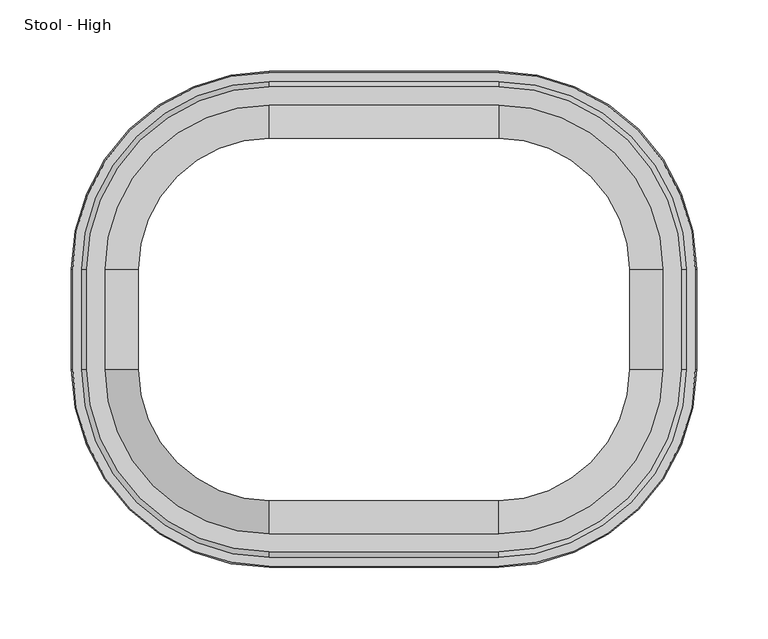
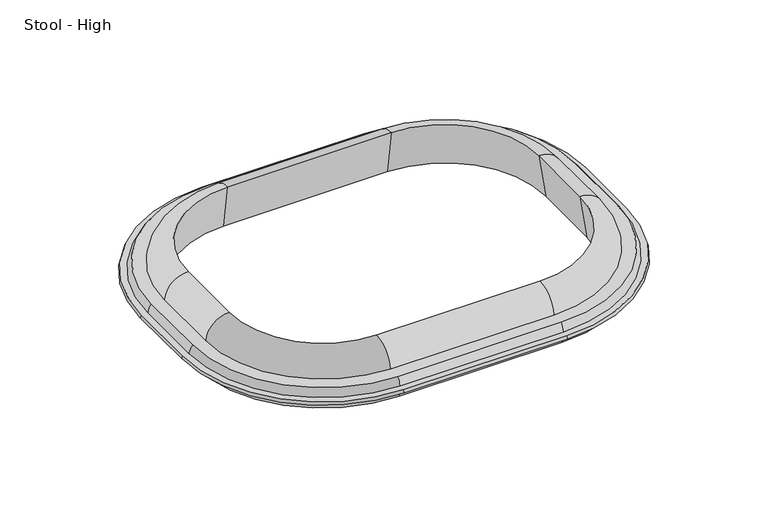
"""IFC4 building model written with IfcOpenShell, lengths in millimetres: furniture geometry, Stool - High."""

from ifc_helpers import new_model, si_unit, point, frame, origin, place, context, project, spatial, polyline, circle_curve, ellipse_curve, trimmed, source, transform, mapped, element, save
from ifc_brep_helpers import plane_surface, cylinder_surface, revolved_surface, advanced_brep


def stool_high_12960239(model_context):
    return source(origin(), model_context, "Body", "AdvancedBrep", [
        advanced_brep(
        [(80.1154768, 126.7284262, 755.65), (-80.1154768, 126.7284262, 755.65), (-80.1154768, 133.3230614, 711.2250418), (80.1154768, 133.3230614, 711.2250418), (80.1154768, 149.9409798, 734.7493229), (-80.1154768, 149.9409798, 734.7493229), (-80.1154768, 127.3919978, 755.6597382), (-207.8314566, 34.925, 734.7493229), (-207.8314566, -34.925, 734.7493229), (-80.1154768, -162.6409798, 734.7493229), (80.1154768, -162.6409798, 734.7493229), (207.8314566, -34.925, 734.7493229), (207.8314566, 34.925, 734.7493229), (80.1154768, 162.6409798, 734.7493229), (-80.1154768, 162.6409798, 734.7493229), (195.1314566, 34.925, 734.7493229), (195.1314566, -34.925, 734.7493229), (80.1154768, -149.9409798, 734.7493229), (-80.1154768, -149.9409798, 734.7493229), (-195.1314566, -34.925, 734.7493229), (-195.1314566, 34.925, 734.7493229), (80.1154768, 166.2791169, 726.9473126), (-80.1154768, 166.2791169, 726.9473126), (-217.8195937, 34.925, 726.9473126), (-217.8195937, -34.925, 726.9473126), (-80.1154768, -172.6291169, 726.9473126), (80.1154768, -172.6291169, 726.9473126), (217.8195937, -34.925, 726.9473126), (217.8195937, 34.925, 726.9473126), (80.1154768, 172.6291169, 726.9473126), (-80.1154768, 172.6291169, 726.9473126), (211.4695937, 34.925, 726.9473126), (211.4695937, -34.925, 726.9473126), (80.1154768, -166.2791169, 726.9473126), (-80.1154768, -166.2791169, 726.9473126), (-211.4695937, -34.925, 726.9473126), (-211.4695937, 34.925, 726.9473126), (80.1154768, 173.4175169, 724.0049637), (-80.1154768, 173.4175169, 724.0049637), (218.6079938, 34.925, 724.0049637), (218.6079938, -34.925, 724.0049637), (80.1154768, -173.4175169, 724.0049637), (-80.1154768, -173.4175169, 724.0049637), (-218.6079938, -34.925, 724.0049637), (-218.6079938, 34.925, 724.0049637), (-212.2579938, 34.925, 724.0049637), (-212.2579938, -34.925, 724.0049637), (-80.1154768, -167.0675169, 724.0049637), (80.1154768, -167.0675169, 724.0049637), (212.2579938, -34.925, 724.0049637), (212.2579938, 34.925, 724.0049637), (80.1154768, 167.0675169, 724.0049637), (-80.1154768, 167.0675169, 724.0049637), (80.1154768, 163.4840689, 714.1595211), (-80.1154768, 163.4840689, 714.1595211), (171.9189031, 34.925, 755.65), (178.5135382, 34.925, 711.2250418), (208.6745457, 34.925, 714.1595211), (171.9189031, -34.925, 755.65), (178.5135382, -34.925, 711.2250418), (208.6745457, -34.925, 714.1595211), (80.1154768, -126.7284262, 755.65), (80.1154768, -133.3230614, 711.2250418), (80.1154768, -163.4840689, 714.1595211), (-80.1154768, -133.3230614, 711.2250418), (-80.1154768, -126.7284262, 755.65), (-80.1154768, -163.4840689, 714.1595211), (-171.9189031, 34.925, 755.65), (-178.5135382, 34.925, 711.2250418), (-208.6745457, 34.925, 714.1595211), (-178.5135382, -34.925, 711.2250418), (-171.9189031, -34.925, 755.65), (-208.6745457, -34.925, 714.1595211)],
        [
            (0, 1),
            (1, 2),
            (2, 3),
            (3, 0),
            (0, 4, circle_curve(frame((80.1154768, 127.3919978, 733.0465561), z_axis=(-1.0, 0.0, 0.0), x_axis=(0.0, 1.0000000000000002, 0.0)), 22.6131821)),
            (4, 5),
            (5, 6, circle_curve(frame((-80.1154768, 127.3919978, 733.0465561), z_axis=(1.0, 0.0, 0.0), x_axis=(0.0, 1.0000000000000002, 0.0)), 22.6131821)),
            (6, 1, circle_curve(frame((-80.1154768, 127.3919978, 733.0465561), z_axis=(1.0, 0.0, 0.0), x_axis=(0.0, 1.0000000000000002, 0.0)), 22.6131821)),
            (7, 8),
            (8, 9, circle_curve(frame((-80.1154768, -34.925, 734.7493229), z_axis=(0.0, 0.0, 1.0), x_axis=(-1.0000000000000002, 0.0, 0.0)), 127.7159798)),
            (9, 10),
            (10, 11, circle_curve(frame((80.1154768, -34.925, 734.7493229), z_axis=(0.0, 0.0, 1.0), x_axis=(1.0000000000000002, 0.0, 0.0)), 127.7159798)),
            (11, 12),
            (12, 13, circle_curve(frame((80.1154768, 34.925, 734.7493229), z_axis=(0.0, 0.0, 1.0), x_axis=(1.0000000000000002, 0.0, 0.0)), 127.7159798)),
            (13, 14),
            (14, 7, circle_curve(frame((-80.1154768, 34.925, 734.7493229), z_axis=(0.0, 0.0, 1.0), x_axis=(-1.0000000000000002, 0.0, 0.0)), 127.7159798)),
            (4, 15, circle_curve(frame((80.1154768, 34.925, 734.7493229), z_axis=(0.0, 0.0, -1.0), x_axis=(1.0000000000000002, 0.0, 0.0)), 115.0159798)),
            (15, 16),
            (16, 17, circle_curve(frame((80.1154768, -34.925, 734.7493229), z_axis=(0.0, 0.0, -1.0), x_axis=(1.0000000000000002, 0.0, 0.0)), 115.0159798)),
            (17, 18),
            (18, 19, circle_curve(frame((-80.1154768, -34.925, 734.7493229), z_axis=(0.0, 0.0, -1.0), x_axis=(-1.0000000000000002, 0.0, 0.0)), 115.0159798)),
            (19, 20),
            (20, 5, circle_curve(frame((-80.1154768, 34.925, 734.7493229), z_axis=(0.0, 0.0, -1.0), x_axis=(-1.0000000000000002, 0.0, 0.0)), 115.0159798)),
            (13, 21, circle_curve(frame((80.1154768, 153.8392427, 725.8957548), z_axis=(-1.0, 0.0, 0.0), x_axis=(0.0, 1.0000000000000002, 0.0)), 12.4842398)),
            (21, 22),
            (22, 14, circle_curve(frame((-80.1154768, 153.8392427, 725.8957548), z_axis=(1.0, 0.0, 0.0), x_axis=(0.0, 1.0000000000000002, 0.0)), 12.4842398)),
            (23, 24),
            (24, 25, circle_curve(frame((-80.1154768, -34.925, 726.9473126), z_axis=(0.0, 0.0, 1.0), x_axis=(-1.0000000000000002, 0.0, 0.0)), 137.7041169)),
            (25, 26),
            (26, 27, circle_curve(frame((80.1154768, -34.925, 726.9473126), z_axis=(0.0, 0.0, 1.0), x_axis=(1.0000000000000002, 0.0, 0.0)), 137.7041169)),
            (27, 28),
            (28, 29, circle_curve(frame((80.1154768, 34.925, 726.9473126), z_axis=(0.0, 0.0, 1.0), x_axis=(1.0000000000000002, 0.0, 0.0)), 137.7041169)),
            (29, 30),
            (30, 23, circle_curve(frame((-80.1154768, 34.925, 726.9473126), z_axis=(0.0, 0.0, 1.0), x_axis=(-1.0000000000000002, 0.0, 0.0)), 137.7041169)),
            (21, 31, circle_curve(frame((80.1154768, 34.925, 726.9473126), z_axis=(0.0, 0.0, -1.0), x_axis=(1.0000000000000002, 0.0, 0.0)), 131.3541169)),
            (31, 32),
            (32, 33, circle_curve(frame((80.1154768, -34.925, 726.9473126), z_axis=(0.0, 0.0, -1.0), x_axis=(1.0000000000000002, 0.0, 0.0)), 131.3541169)),
            (33, 34),
            (34, 35, circle_curve(frame((-80.1154768, -34.925, 726.9473126), z_axis=(0.0, 0.0, -1.0), x_axis=(-1.0000000000000002, 0.0, 0.0)), 131.3541169)),
            (35, 36),
            (36, 22, circle_curve(frame((-80.1154768, 34.925, 726.9473126), z_axis=(0.0, 0.0, -1.0), x_axis=(-1.0000000000000002, 0.0, 0.0)), 131.3541169)),
            (29, 37),
            (37, 38),
            (38, 30),
            (37, 39, circle_curve(frame((80.1154768, 34.925, 724.0049637), z_axis=(0.0, 0.0, -1.0), x_axis=(1.0000000000000002, 0.0, 0.0)), 138.4925169)),
            (39, 40),
            (40, 41, circle_curve(frame((80.1154768, -34.925, 724.0049637), z_axis=(0.0, 0.0, -1.0), x_axis=(1.0000000000000002, 0.0, 0.0)), 138.4925169)),
            (41, 42),
            (42, 43, circle_curve(frame((-80.1154768, -34.925, 724.0049637), z_axis=(0.0, 0.0, -1.0), x_axis=(-1.0000000000000002, 0.0, 0.0)), 138.4925169)),
            (43, 44),
            (44, 38, circle_curve(frame((-80.1154768, 34.925, 724.0049637), z_axis=(0.0, 0.0, -1.0), x_axis=(-1.0000000000000002, 0.0, 0.0)), 138.4925169)),
            (45, 46),
            (46, 47, circle_curve(frame((-80.1154768, -34.925, 724.0049637), z_axis=(0.0, 0.0, 1.0), x_axis=(-1.0000000000000002, 0.0, 0.0)), 132.1425169)),
            (47, 48),
            (48, 49, circle_curve(frame((80.1154768, -34.925, 724.0049637), z_axis=(0.0, 0.0, 1.0), x_axis=(1.0000000000000002, 0.0, 0.0)), 132.1425169)),
            (49, 50),
            (50, 51, circle_curve(frame((80.1154768, 34.925, 724.0049637), z_axis=(0.0, 0.0, 1.0), x_axis=(1.0000000000000002, 0.0, 0.0)), 132.1425169)),
            (51, 52),
            (52, 45, circle_curve(frame((-80.1154768, 34.925, 724.0049637), z_axis=(0.0, 0.0, 1.0), x_axis=(-1.0000000000000002, 0.0, 0.0)), 132.1425169)),
            (51, 53, circle_curve(frame((80.1154768, 148.476041, 725.196852), z_axis=(-1.0, 0.0, 0.0), x_axis=(0.0, 1.0000000000000002, 0.0)), 18.6296423)),
            (53, 54),
            (54, 52, circle_curve(frame((-80.1154768, 148.476041, 725.196852), z_axis=(1.0, 0.0, 0.0), x_axis=(0.0, 1.0000000000000002, 0.0)), 18.6296423)),
            (2, 54),
            (53, 3),
            (0, 55, circle_curve(frame((80.1154768, 34.925, 755.65), z_axis=(0.0, 0.0, -1.0), x_axis=(1.0000000000000002, 0.0, 0.0)), 91.8034262)),
            (55, 15, circle_curve(frame((172.5824746, 34.925, 733.0465561), z_axis=(0.0, 1.0000000000000002, 0.0), x_axis=(0.0, 0.0, 1.0)), 22.6131821)),
            (3, 56, circle_curve(frame((80.1154768, 34.925, 711.2250418), z_axis=(0.0, 0.0, -1.0), x_axis=(1.0000000000000002, 0.0, 0.0)), 98.3980614)),
            (56, 55),
            (53, 57, circle_curve(frame((80.1154768, 34.925, 714.1595211), z_axis=(0.0, 0.0, -1.0), x_axis=(1.0000000000000002, 0.0, 0.0)), 128.5590689)),
            (57, 56),
            (50, 57, circle_curve(frame((193.6665179, 34.925, 725.196852), z_axis=(0.0, 1.0000000000000002, 0.0), x_axis=(0.0, 0.0, 1.0)), 18.6296423)),
            (28, 39),
            (12, 31, circle_curve(frame((199.0297195, 34.925, 725.8957548), z_axis=(0.0, 1.0000000000000002, 0.0), x_axis=(0.0, 0.0, 1.0)), 12.4842398)),
            (58, 55),
            (56, 59),
            (59, 58),
            (57, 60),
            (60, 59),
            (49, 60, circle_curve(frame((193.6665179, -34.925, 725.196852), z_axis=(0.0, 1.0, 0.0), x_axis=(0.0, 0.0, 1.0)), 18.6296423)),
            (27, 40),
            (11, 32, circle_curve(frame((199.0297195, -34.925, 725.8957548), z_axis=(0.0, 1.0, 0.0), x_axis=(0.0, 0.0, 1.0)), 12.4842398)),
            (58, 16, circle_curve(frame((172.5824746, -34.925, 733.0465561), z_axis=(0.0, 1.0, 0.0), x_axis=(0.0, 0.0, 1.0)), 22.6131821)),
            (58, 61, circle_curve(frame((80.1154768, -34.925, 755.65), z_axis=(0.0, 0.0, -1.0), x_axis=(1.0000000000000002, 0.0, 0.0)), 91.8034262)),
            (61, 17, circle_curve(frame((80.1154768, -127.3919978, 733.0465561), z_axis=(1.0000000000000002, 0.0, 0.0), x_axis=(0.0, 0.0, 1.0)), 22.6131821)),
            (59, 62, circle_curve(frame((80.1154768, -34.925, 711.2250418), z_axis=(0.0, 0.0, -1.0), x_axis=(1.0000000000000002, 0.0, 0.0)), 98.3980614)),
            (62, 61),
            (60, 63, circle_curve(frame((80.1154768, -34.925, 714.1595211), z_axis=(0.0, 0.0, -1.0), x_axis=(1.0000000000000002, 0.0, 0.0)), 128.5590689)),
            (63, 62),
            (48, 63, circle_curve(frame((80.1154768, -148.476041, 725.196852), z_axis=(1.0000000000000002, 0.0, 0.0), x_axis=(0.0, 0.0, 1.0)), 18.6296423)),
            (26, 41),
            (10, 33, circle_curve(frame((80.1154768, -153.8392427, 725.8957548), z_axis=(1.0000000000000002, 0.0, 0.0), x_axis=(0.0, 0.0, 1.0)), 12.4842398)),
            (62, 64),
            (64, 65),
            (65, 61),
            (65, 18, circle_curve(frame((-80.1154768, -127.3919978, 733.0465561), z_axis=(1.0, 0.0, 0.0), x_axis=(0.0, -1.0000000000000002, 0.0)), 22.6131821)),
            (9, 34, circle_curve(frame((-80.1154768, -153.8392427, 725.8957548), z_axis=(1.0, 0.0, 0.0), x_axis=(0.0, -1.0000000000000002, 0.0)), 12.4842398)),
            (25, 42),
            (47, 66, circle_curve(frame((-80.1154768, -148.476041, 725.196852), z_axis=(1.0, 0.0, 0.0), x_axis=(0.0, -1.0000000000000002, 0.0)), 18.6296423)),
            (66, 63),
            (66, 64),
            (20, 67, circle_curve(frame((-172.5824746, 34.925, 733.0465561), z_axis=(0.0, 1.0000000000000002, 0.0), x_axis=(0.0, 0.0, 1.0)), 22.6131821)),
            (67, 1, circle_curve(frame((-80.1154768, 34.925, 755.65), z_axis=(0.0, 0.0, -1.0), x_axis=(-1.0000000000000002, 0.0, 0.0)), 91.8034262)),
            (67, 68),
            (68, 2, circle_curve(frame((-80.1154768, 34.925, 711.2250418), z_axis=(0.0, 0.0, -1.0), x_axis=(-1.0000000000000002, 0.0, 0.0)), 98.3980614)),
            (68, 69),
            (69, 54, circle_curve(frame((-80.1154768, 34.925, 714.1595211), z_axis=(0.0, 0.0, -1.0), x_axis=(-1.0000000000000002, 0.0, 0.0)), 128.5590689)),
            (69, 45, circle_curve(frame((-193.6665179, 34.925, 725.196852), z_axis=(0.0, 1.0000000000000002, 0.0), x_axis=(0.0, 0.0, 1.0)), 18.6296423)),
            (44, 23),
            (36, 7, circle_curve(frame((-199.0297195, 34.925, 725.8957548), z_axis=(0.0, 1.0000000000000002, 0.0), x_axis=(0.0, 0.0, 1.0)), 12.4842398)),
            (70, 68),
            (67, 71),
            (71, 70),
            (70, 72),
            (72, 69),
            (72, 46, circle_curve(frame((-193.6665179, -34.925, 725.196852), z_axis=(0.0, 1.0, 0.0), x_axis=(0.0, 0.0, 1.0)), 18.6296423)),
            (43, 24),
            (35, 8, circle_curve(frame((-199.0297195, -34.925, 725.8957548), z_axis=(0.0, 1.0, 0.0), x_axis=(0.0, 0.0, 1.0)), 12.4842398)),
            (19, 71, circle_curve(frame((-172.5824746, -34.925, 733.0465561), z_axis=(0.0, 1.0, 0.0), x_axis=(0.0, 0.0, 1.0)), 22.6131821)),
            (65, 71, circle_curve(frame((-80.1154768, -34.925, 755.65), z_axis=(0.0, 0.0, -1.0), x_axis=(-1.0000000000000002, 0.0, 0.0)), 91.8034262)),
            (64, 70, circle_curve(frame((-80.1154768, -34.925, 711.2250418), z_axis=(0.0, 0.0, -1.0), x_axis=(-1.0000000000000002, 0.0, 0.0)), 98.3980614)),
            (66, 72, circle_curve(frame((-80.1154768, -34.925, 714.1595211), z_axis=(0.0, 0.0, -1.0), x_axis=(-1.0000000000000002, 0.0, 0.0)), 128.5590689)),
        ],
        [
            plane_surface(frame((80.1154768, 126.7284262, 755.65), z_axis=(0.0, -0.9891609433288518, -0.1468353778650639), x_axis=(-1.0, 0.0, 0.0))),
            cylinder_surface(frame((-80.1154768, 127.3919978, 733.0465561), z_axis=(1.0000000000000002, 0.0, 0.0), x_axis=(0.0, 1.0000000000000002, 0.0)), 22.6131821),
            plane_surface(frame((80.1154768, 162.6409798, 734.7493229), z_axis=(0.0, 0.0, 1.0), x_axis=(-1.0, 0.0, 0.0))),
            cylinder_surface(frame((-80.1154768, 153.8392427, 725.8957548), z_axis=(1.0000000000000002, 0.0, 0.0), x_axis=(0.0, 1.0000000000000002, 0.0)), 12.4842398),
            plane_surface(frame((80.1154768, 172.6291169, 726.9473126), z_axis=(0.0, 0.0, 1.0), x_axis=(-1.0, 0.0, 0.0))),
            plane_surface(frame((80.1154768, 173.4175169, 724.0049637), z_axis=(0.0, 0.9659258262890752, 0.2588190451024952), x_axis=(-1.0, 0.0, 0.0))),
            plane_surface(frame((80.1154768, 167.0675169, 724.0049637), z_axis=(0.0, 0.0, -1.0), x_axis=(-1.0, 0.0, 0.0))),
            cylinder_surface(frame((-80.1154768, 148.476041, 725.196852), z_axis=(1.0000000000000002, 0.0, 0.0), x_axis=(0.0, 1.0000000000000002, 0.0)), 18.6296423),
            plane_surface(frame((80.1154768, 133.3230614, 711.2250418), z_axis=(0.0, 0.09683655773188508, -0.9953002969388883), x_axis=(-1.0, 0.0, 0.0))),
            revolved_surface(trimmed(ellipse_curve(frame((172.5824746, 34.925, 733.0465561), z_axis=(0.0, -1.0000000000000002, 0.0), x_axis=(0.0, 0.0, 1.0)), 22.6131821, 22.6131821), [point((195.1314566, 34.925, 734.7493229))], [point((171.9189031, 34.925, 755.65))], True, "CARTESIAN"), (80.1154768, 34.925, 847.2074778), (0.0, 0.0, 1.0)),
            revolved_surface(polyline([(171.9189031, 34.925, 755.65), (178.5135382, 34.925, 711.2250418)]), (80.1154768, 34.925, 847.2074778), (0.0, 0.0, 1.0)),
            revolved_surface(polyline([(178.5135382, 34.925, 711.2250418), (208.6745457, 34.925, 714.1595211)]), (80.1154768, 34.925, 847.2074778), (0.0, 0.0, 1.0)),
            revolved_surface(trimmed(ellipse_curve(frame((193.6665179, 34.925, 725.196852), z_axis=(0.0, -1.0000000000000002, 0.0), x_axis=(0.0, 0.0, 1.0)), 18.6296423, 18.6296423), [point((208.6745457, 34.925, 714.1595211))], [point((212.2579938, 34.925, 724.0049637))], True, "CARTESIAN"), (80.1154768, 34.925, 847.2074778), (0.0, 0.0, 1.0)),
            revolved_surface(polyline([(218.6079938, 34.925, 724.0049637), (217.8195937, 34.925, 726.9473126)]), (80.1154768, 34.925, 847.2074778), (0.0, 0.0, 1.0)),
            revolved_surface(trimmed(ellipse_curve(frame((199.0297195, 34.925, 725.8957548), z_axis=(0.0, -1.0000000000000002, 0.0), x_axis=(0.0, 0.0, 1.0)), 12.4842398, 12.4842398), [point((211.4695937, 34.925, 726.9473126))], [point((207.8314566, 34.925, 734.7493229))], True, "CARTESIAN"), (80.1154768, 34.925, 847.2074778), (0.0, 0.0, 1.0)),
            plane_surface(frame((171.9189031, -34.925, 755.65), z_axis=(-0.9891609433288493, 0.0, -0.14683537786508108), x_axis=(0.0, 1.0, 0.0))),
            plane_surface(frame((178.5135382, -34.925, 711.2250418), z_axis=(0.09683655773190229, 0.0, -0.9953002969388867), x_axis=(0.0, 1.0, 0.0))),
            cylinder_surface(frame((193.6665179, 34.925, 725.196852), z_axis=(0.0, -1.0000000000000002, 0.0), x_axis=(0.0, 0.0, 1.0)), 18.6296423),
            plane_surface(frame((218.6079938, -34.925, 724.0049637), z_axis=(0.9659258262890694, 0.0, 0.2588190451025166), x_axis=(0.0, 1.0, 0.0))),
            cylinder_surface(frame((199.0297195, 34.925, 725.8957548), z_axis=(0.0, -1.0000000000000002, 0.0), x_axis=(0.0, 0.0, 1.0)), 12.4842398),
            cylinder_surface(frame((172.5824746, 34.925, 733.0465561), z_axis=(0.0, -1.0000000000000002, 0.0), x_axis=(0.0, 0.0, 1.0)), 22.6131821),
            revolved_surface(trimmed(ellipse_curve(frame((172.5824746, -34.925, 733.0465561), z_axis=(0.0, 1.0000000000000002, 0.0), x_axis=(0.0, 0.0, 1.0)), 22.6131821, 22.6131821), [point((171.9189031, -34.925, 755.65))], [point((195.1314566, -34.925, 734.7493229))], True, "CARTESIAN"), (80.1154768, -34.925, 847.2074778), (0.0, 0.0, -1.0)),
            revolved_surface(polyline([(178.5135382, -34.925, 711.2250418), (171.9189031, -34.925, 755.65)]), (80.1154768, -34.925, 847.2074778), (0.0, 0.0, -1.0)),
            revolved_surface(polyline([(208.6745457, -34.925, 714.1595211), (178.5135382, -34.925, 711.2250418)]), (80.1154768, -34.925, 847.2074778), (0.0, 0.0, -1.0)),
            revolved_surface(trimmed(ellipse_curve(frame((193.6665179, -34.925, 725.196852), z_axis=(0.0, 1.0000000000000002, 0.0), x_axis=(0.0, 0.0, 1.0)), 18.6296423, 18.6296423), [point((212.2579938, -34.925, 724.0049637))], [point((208.6745457, -34.925, 714.1595211))], True, "CARTESIAN"), (80.1154768, -34.925, 847.2074778), (0.0, 0.0, -1.0)),
            revolved_surface(polyline([(217.8195937, -34.925, 726.9473126), (218.6079938, -34.925, 724.0049637)]), (80.1154768, -34.925, 847.2074778), (0.0, 0.0, -1.0)),
            revolved_surface(trimmed(ellipse_curve(frame((199.0297195, -34.925, 725.8957548), z_axis=(0.0, 1.0000000000000002, 0.0), x_axis=(0.0, 0.0, 1.0)), 12.4842398, 12.4842398), [point((207.8314566, -34.925, 734.7493229))], [point((211.4695937, -34.925, 726.9473126))], True, "CARTESIAN"), (80.1154768, -34.925, 847.2074778), (0.0, 0.0, -1.0)),
            plane_surface(frame((80.1154768, -133.3230614, 711.2250418), z_axis=(0.0, 0.9891609433288518, -0.14683537786506393), x_axis=(-1.0, 0.0, 0.0))),
            cylinder_surface(frame((-80.1154768, -127.3919978, 733.0465561), z_axis=(1.0000000000000002, 0.0, 0.0), x_axis=(0.0, -1.0000000000000002, 0.0)), 22.6131821),
            cylinder_surface(frame((-80.1154768, -153.8392427, 725.8957548), z_axis=(1.0000000000000002, 0.0, 0.0), x_axis=(0.0, -1.0000000000000002, 0.0)), 12.4842398),
            plane_surface(frame((80.1154768, -172.6291169, 726.9473126), z_axis=(0.0, -0.9659258262890752, 0.2588190451024952), x_axis=(-1.0, 0.0, 0.0))),
            cylinder_surface(frame((-80.1154768, -148.476041, 725.196852), z_axis=(1.0000000000000002, 0.0, 0.0), x_axis=(0.0, -1.0000000000000002, 0.0)), 18.6296423),
            plane_surface(frame((80.1154768, -163.4840689, 714.1595211), z_axis=(0.0, -0.0968365577318848, -0.9953002969388883), x_axis=(-1.0, 0.0, 0.0))),
            revolved_surface(trimmed(ellipse_curve(frame((-172.5824746, 34.925, 733.0465561), z_axis=(0.0, -1.0000000000000002, 0.0), x_axis=(0.0, 0.0, 1.0)), 22.6131821, 22.6131821), [point((-171.9189031, 34.925, 755.65))], [point((-195.1314566, 34.925, 734.7493229))], True, "CARTESIAN"), (-80.1154768, 34.925, 847.2074778), (0.0, 0.0, -1.0)),
            revolved_surface(polyline([(-178.5135382, 34.925, 711.2250418), (-171.9189031, 34.925, 755.65)]), (-80.1154768, 34.925, 847.2074778), (0.0, 0.0, -1.0)),
            revolved_surface(polyline([(-208.6745457, 34.925, 714.1595211), (-178.5135382, 34.925, 711.2250418)]), (-80.1154768, 34.925, 847.2074778), (0.0, 0.0, -1.0)),
            revolved_surface(trimmed(ellipse_curve(frame((-193.6665179, 34.925, 725.196852), z_axis=(0.0, -1.0000000000000002, 0.0), x_axis=(0.0, 0.0, 1.0)), 18.6296423, 18.6296423), [point((-212.2579938, 34.925, 724.0049637))], [point((-208.6745457, 34.925, 714.1595211))], True, "CARTESIAN"), (-80.1154768, 34.925, 847.2074778), (0.0, 0.0, -1.0)),
            revolved_surface(polyline([(-217.8195937, 34.925, 726.9473126), (-218.6079938, 34.925, 724.0049637)]), (-80.1154768, 34.925, 847.2074778), (0.0, 0.0, -1.0)),
            revolved_surface(trimmed(ellipse_curve(frame((-199.0297195, 34.925, 725.8957548), z_axis=(0.0, -1.0000000000000002, 0.0), x_axis=(0.0, 0.0, 1.0)), 12.4842398, 12.4842398), [point((-207.8314566, 34.925, 734.7493229))], [point((-211.4695937, 34.925, 726.9473126))], True, "CARTESIAN"), (-80.1154768, 34.925, 847.2074778), (0.0, 0.0, -1.0)),
            plane_surface(frame((-178.5135382, -34.925, 711.2250418), z_axis=(0.9891609433288493, 0.0, -0.14683537786508108), x_axis=(0.0, 1.0, 0.0))),
            plane_surface(frame((-208.6745457, -34.925, 714.1595211), z_axis=(-0.09683655773190229, 0.0, -0.9953002969388867), x_axis=(0.0, 1.0, 0.0))),
            cylinder_surface(frame((-193.6665179, 34.925, 725.196852), z_axis=(0.0, -1.0000000000000002, 0.0), x_axis=(0.0, 0.0, 1.0)), 18.6296423),
            plane_surface(frame((-217.8195937, -34.925, 726.9473126), z_axis=(-0.9659258262890694, 0.0, 0.2588190451025166), x_axis=(0.0, 1.0, 0.0))),
            cylinder_surface(frame((-199.0297195, 34.925, 725.8957548), z_axis=(0.0, -1.0000000000000002, 0.0), x_axis=(0.0, 0.0, 1.0)), 12.4842398),
            cylinder_surface(frame((-172.5824746, 34.925, 733.0465561), z_axis=(0.0, -1.0000000000000002, 0.0), x_axis=(0.0, 0.0, 1.0)), 22.6131821),
            revolved_surface(trimmed(ellipse_curve(frame((-172.5824746, -34.925, 733.0465561), z_axis=(0.0, 1.0000000000000002, 0.0), x_axis=(0.0, 0.0, 1.0)), 22.6131821, 22.6131821), [point((-195.1314566, -34.925, 734.7493229))], [point((-171.9189031, -34.925, 755.65))], True, "CARTESIAN"), (-80.1154768, -34.925, 847.2074778), (0.0, 0.0, 1.0)),
            revolved_surface(polyline([(-171.9189031, -34.925, 755.65), (-178.5135382, -34.925, 711.2250418)]), (-80.1154768, -34.925, 847.2074778), (0.0, 0.0, 1.0)),
            revolved_surface(polyline([(-178.5135382, -34.925, 711.2250418), (-208.6745457, -34.925, 714.1595211)]), (-80.1154768, -34.925, 847.2074778), (0.0, 0.0, 1.0)),
            revolved_surface(trimmed(ellipse_curve(frame((-193.6665179, -34.925, 725.196852), z_axis=(0.0, 1.0000000000000002, 0.0), x_axis=(0.0, 0.0, 1.0)), 18.6296423, 18.6296423), [point((-208.6745457, -34.925, 714.1595211))], [point((-212.2579938, -34.925, 724.0049637))], True, "CARTESIAN"), (-80.1154768, -34.925, 847.2074778), (0.0, 0.0, 1.0)),
            revolved_surface(polyline([(-218.6079938, -34.925, 724.0049637), (-217.8195937, -34.925, 726.9473126)]), (-80.1154768, -34.925, 847.2074778), (0.0, 0.0, 1.0)),
            revolved_surface(trimmed(ellipse_curve(frame((-199.0297195, -34.925, 725.8957548), z_axis=(0.0, 1.0000000000000002, 0.0), x_axis=(0.0, 0.0, 1.0)), 12.4842398, 12.4842398), [point((-211.4695937, -34.925, 726.9473126))], [point((-207.8314566, -34.925, 734.7493229))], True, "CARTESIAN"), (-80.1154768, -34.925, 847.2074778), (0.0, 0.0, 1.0)),
        ],
        [
            (0, [[1, 2, 3, 4]]),
            (1, [[-1, 5, 6, 7, 8]]),
            (2, [[9, 10, 11, 12, 13, 14, 15, 16], [-6, 17, 18, 19, 20, 21, 22, 23]]),
            (3, [[-15, 24, 25, 26]]),
            (4, [[27, 28, 29, 30, 31, 32, 33, 34], [-25, 35, 36, 37, 38, 39, 40, 41]]),
            (5, [[-33, 42, 43, 44]]),
            (6, [[-43, 45, 46, 47, 48, 49, 50, 51], [52, 53, 54, 55, 56, 57, 58, 59]]),
            (7, [[-58, 60, 61, 62]]),
            (8, [[-3, 63, -61, 64]]),
            (9, [[65, 66, -17, -5]]),
            (10, [[-65, -4, 67, 68]]),
            (11, [[-67, -64, 69, 70]]),
            (12, [[-69, -60, -57, 71]]),
            (13, [[-45, -42, -32, 72]]),
            (14, [[-35, -24, -14, 73]]),
            (15, [[74, -68, 75, 76]]),
            (16, [[-75, -70, 77, 78]]),
            (17, [[-77, -71, -56, 79]]),
            (18, [[-46, -72, -31, 80]]),
            (19, [[-36, -73, -13, 81]]),
            (20, [[-74, 82, -18, -66]]),
            (21, [[-19, -82, 83, 84]]),
            (22, [[-83, -76, 85, 86]]),
            (23, [[-85, -78, 87, 88]]),
            (24, [[-87, -79, -55, 89]]),
            (25, [[-47, -80, -30, 90]]),
            (26, [[-37, -81, -12, 91]]),
            (27, [[92, 93, 94, -86]]),
            (28, [[-94, 95, -20, -84]]),
            (29, [[-11, 96, -38, -91]]),
            (30, [[-29, 97, -48, -90]]),
            (31, [[-54, 98, 99, -89]]),
            (32, [[-92, -88, -99, 100]]),
            (33, [[-23, 101, 102, -8, -7]]),
            (34, [[-102, 103, 104, -2]]),
            (35, [[-104, 105, 106, -63]]),
            (36, [[-106, 107, -59, -62]]),
            (37, [[-51, 108, -34, -44]]),
            (38, [[-41, 109, -16, -26]]),
            (39, [[110, -103, 111, 112]]),
            (40, [[-110, 113, 114, -105]]),
            (41, [[-114, 115, -52, -107]]),
            (42, [[-50, 116, -27, -108]]),
            (43, [[-40, 117, -9, -109]]),
            (44, [[-111, -101, -22, 118]]),
            (45, [[119, -118, -21, -95]]),
            (46, [[-119, -93, 120, -112]]),
            (47, [[-120, -100, 121, -113]]),
            (48, [[-121, -98, -53, -115]]),
            (49, [[-49, -97, -28, -116]]),
            (50, [[-39, -96, -10, -117]]),
        ],
    ),
    ])


if __name__ == "__main__":
    model = new_model("IFC4")
    model_context = context("Model", 3, world=origin())
    ifc_project = project(units=[si_unit("LENGTHUNIT", "METRE", prefix="MILLI")], contexts=[model_context])
    site = spatial("IfcSite", under=ifc_project)
    building = spatial("IfcBuilding", under=site)
    placement = place(None, origin())
    stool_high_shape = stool_high_12960239(model_context)
    element("IfcFurniture", 1, ObjectType="Stool - High", at=placement, inside=building, context=model_context, shape_type="MappedRepresentation", body=[
        mapped(stool_high_shape, transform((0.0, 0.0, 0.0), x_axis=(1.0, 0.0, 0.0), y_axis=(0.0, 1.0, 0.0), z_axis=(0.0, 0.0, 1.0))),
    ])
    save(model, "model.ifc")
